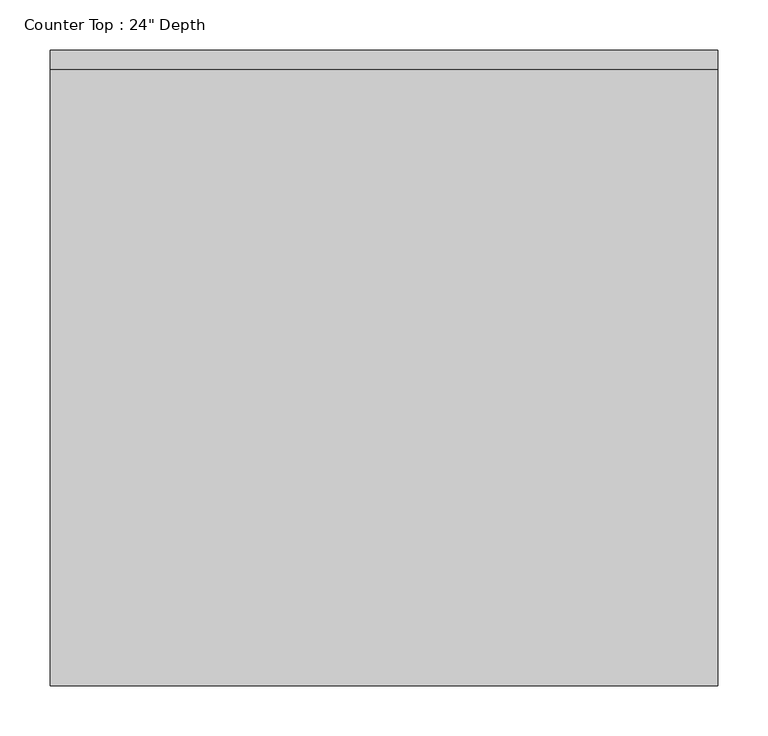
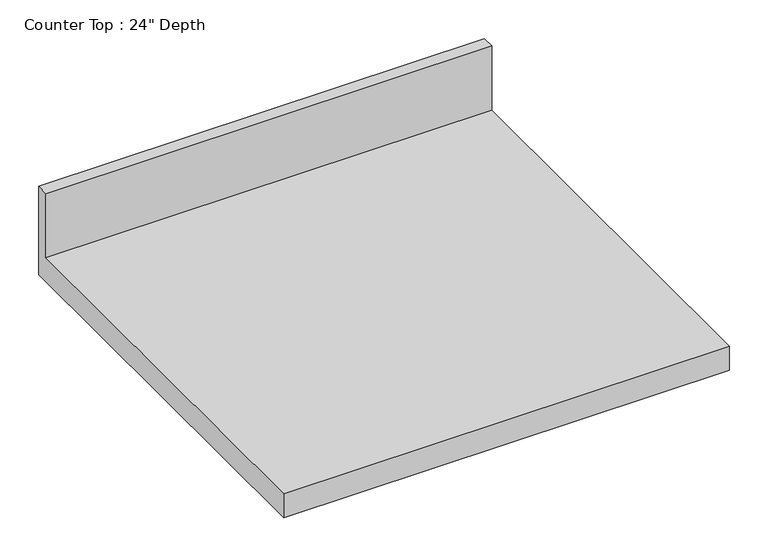
"""IFC4 building model written with IfcOpenShell, lengths in millimetres: furniture geometry."""

from ifc_helpers import new_model, si_unit, frame, origin, place, context, project, spatial, polyline, outline, extrude, source, transform, mapped, element, save


def furniture_1e3b690c(model_context):
    return source(origin(), model_context, "Body", "SweptSolid", [
        extrude(outline(polyline([(0.0, 1016.0), (0.0, 876.3), (-635.0, 876.3), (-635.0, 914.4), (-19.05, 914.4), (-19.05, 1016.0), (0.0, 1016.0)])), frame((-1200.4622951, 0.0, 0.0), z_axis=(1.0, 0.0, 0.0), x_axis=(0.0, 1.0, 0.0)), (0.0, 0.0, 1.0), 667.0894309),
    ])


if __name__ == "__main__":
    model = new_model("IFC4")
    model_context = context("Model", 3, world=origin())
    ifc_project = project(units=[si_unit("LENGTHUNIT", "METRE", prefix="MILLI")], contexts=[model_context])
    site = spatial("IfcSite", under=ifc_project)
    building = spatial("IfcBuilding", under=site)
    placement = place(None, origin())
    furniture_shape = furniture_1e3b690c(model_context)
    element("IfcFurniture", 1, ObjectType="Counter Top : 24\" Depth", at=placement, inside=building, context=model_context, shape_type="MappedRepresentation", body=[
        mapped(furniture_shape, transform((0.0, 0.0, 0.0), x_axis=(1.0, 0.0, 0.0), y_axis=(0.0, 1.0, 0.0), z_axis=(0.0, 0.0, 1.0))),
    ])
    save(model, "model.ifc")
